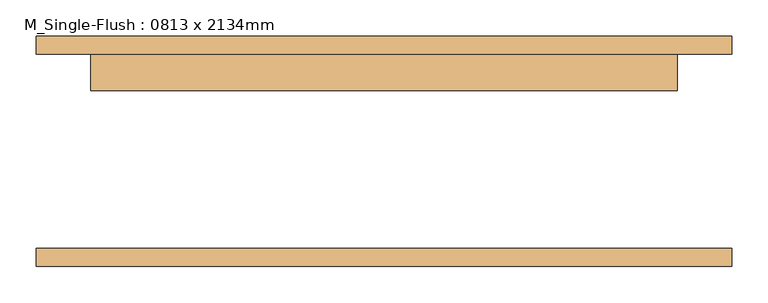
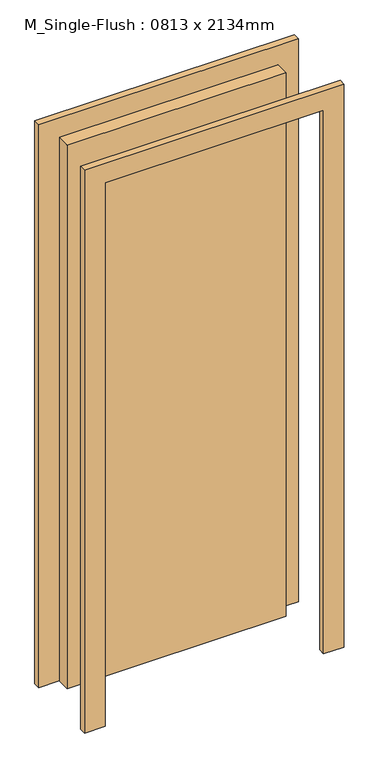
"""IFC4 building model written with IfcOpenShell, lengths in millimetres: door geometry, M_Single-Flush : 0813 x 2134mm."""

from ifc_helpers import new_model, si_unit, frame, origin, origin_with_axes, place, context, project, spatial, polyline, outline, extrude, source, transform, mapped, element, save


def m_single_flush_0813_x_2134mm_45dfabcb(model_context):
    return source(origin(), model_context, "Body", "SweptSolid", [
        extrude(outline(polyline([(2210.0, -482.5), (0.0, -482.5), (0.0, -406.5), (2134.0, -406.5), (2134.0, 406.5), (0.0, 406.5), (0.0, 482.5), (2210.0, 482.5), (2210.0, -482.5)])), frame((0.0, 135.0, 0.0), z_axis=(0.0, 1.0, 0.0), x_axis=(0.0, 0.0, 1.0)), (0.0, 0.0, 1.0), 25.0),
        extrude(outline(polyline([(2210.0, 482.5), (2210.0, -482.5), (0.0, -482.5), (0.0, -406.5), (2134.0, -406.5), (2134.0, 406.5), (0.0, 406.5), (0.0, 482.5), (2210.0, 482.5)])), frame((0.0, -160.0, 0.0), z_axis=(0.0, 1.0, 0.0), x_axis=(0.0, 0.0, 1.0)), (0.0, 0.0, 1.0), 25.0),
        extrude(outline(polyline([(406.5, 84.0), (-406.5, 84.0), (-406.5, 135.0), (406.5, 135.0), (406.5, 84.0)])), origin_with_axes(), (0.0, 0.0, 1.0), 2134.0),
    ])


if __name__ == "__main__":
    model = new_model("IFC4")
    model_context = context("Model", 3, world=origin())
    ifc_project = project(units=[si_unit("LENGTHUNIT", "METRE", prefix="MILLI")], contexts=[model_context])
    site = spatial("IfcSite", under=ifc_project)
    building = spatial("IfcBuilding", under=site)
    placement = place(None, origin())
    m_single_flush_0813_x_2134mm_shape = m_single_flush_0813_x_2134mm_45dfabcb(model_context)
    element("IfcDoor", 1, ObjectType="M_Single-Flush : 0813 x 2134mm", at=placement, inside=building, context=model_context, shape_type="MappedRepresentation", body=[
        mapped(m_single_flush_0813_x_2134mm_shape, transform((0.0, 0.0, 0.0), x_axis=(1.0, 0.0, 0.0), y_axis=(0.0, 1.0, 0.0), z_axis=(0.0, 0.0, 1.0))),
    ])
    save(model, "model.ifc")
